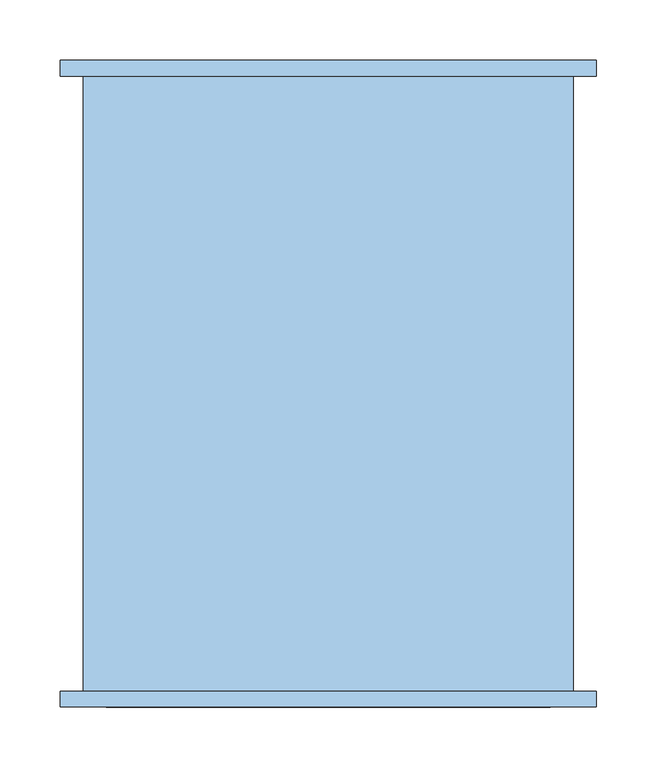
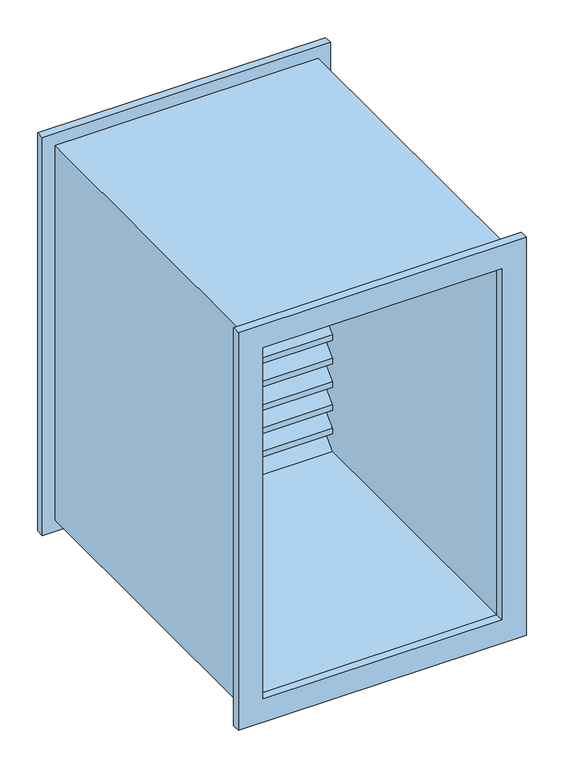
"""IFC4 building model written with IfcOpenShell, lengths in millimetres: window geometry."""

from ifc_helpers import new_model, si_unit, frame, origin, place, context, project, spatial, polyline, outline, extrude, source, transform, mapped, element, save


def window_7e000ad9(model_context):
    return source(origin(), model_context, "Body", "SweptSolid", [
        extrude(outline(polyline([(1543.55, -221.95), (896.05, -221.95), (896.05, 221.95), (1543.55, 221.95), (1543.55, -221.95)]), holes=[polyline([(1505.55, -183.95), (1505.55, 183.95), (934.05, 183.95), (934.05, -183.95), (1505.55, -183.95)])]), frame((0.0, 248.65, 0.0), z_axis=(0.0, 1.0, 0.0), x_axis=(0.0, 0.0, 1.0)), (0.0, 0.0, 1.0), 13.0),
        extrude(outline(polyline([(1543.55, 221.95), (1543.55, -221.95), (896.05, -221.95), (896.05, 221.95), (1543.55, 221.95)]), holes=[polyline([(1505.55, 183.95), (934.05, 183.95), (934.05, -183.95), (1505.55, -183.95), (1505.55, 183.95)])]), frame((0.0, -274.35, 0.0), z_axis=(0.0, 1.0, 0.0), x_axis=(0.0, 0.0, 1.0)), (0.0, 0.0, 1.0), 13.0),
        extrude(outline(polyline([(1524.6, 203.0), (1524.6, -203.0), (915.0, -203.0), (915.0, 203.0), (1524.6, 203.0)]), holes=[polyline([(1505.55, 183.95), (934.05, 183.95), (934.05, -183.95), (1505.55, -183.95), (1505.55, 183.95)])]), frame((0.0, -261.35, 0.0), z_axis=(0.0, 1.0, 0.0), x_axis=(0.0, 0.0, 1.0)), (0.0, 0.0, 1.0), 510.0),
        extrude(outline(polyline([(212.7289755, 969.9710245), (248.65, 934.05), (239.6697439, 934.05), (212.7289755, 960.9907684), (185.7882072, 934.05), (176.807951, 934.05), (212.7289755, 969.9710245)])), frame((-183.95, 0.0, 0.0), z_axis=(1.0, 0.0, 0.0), x_axis=(0.0, 1.0, 0.0)), (0.0, 0.0, 1.0), 367.9),
        extrude(outline(polyline([(212.7289755, 1008.0710245), (248.65, 972.15), (248.65, 963.1697439), (212.7289755, 999.0907684), (176.807951, 963.1697439), (176.807951, 972.15), (212.7289755, 1008.0710245)])), frame((-183.95, 0.0, 0.0), z_axis=(1.0, 0.0, 0.0), x_axis=(0.0, 1.0, 0.0)), (0.0, 0.0, 1.0), 367.9),
        extrude(outline(polyline([(212.7289755, 1046.1710245), (248.65, 1010.25), (248.65, 1001.2697439), (212.7289755, 1037.1907684), (176.807951, 1001.2697439), (176.807951, 1010.25), (212.7289755, 1046.1710245)])), frame((-183.95, 0.0, 0.0), z_axis=(1.0, 0.0, 0.0), x_axis=(0.0, 1.0, 0.0)), (0.0, 0.0, 1.0), 367.9),
        extrude(outline(polyline([(212.7289755, 1084.2710245), (248.65, 1048.35), (248.65, 1039.3697439), (212.7289755, 1075.2907684), (176.807951, 1039.3697439), (176.807951, 1048.35), (212.7289755, 1084.2710245)])), frame((-183.95, 0.0, 0.0), z_axis=(1.0, 0.0, 0.0), x_axis=(0.0, 1.0, 0.0)), (0.0, 0.0, 1.0), 367.9),
        extrude(outline(polyline([(212.7289755, 1122.3710245), (248.65, 1086.45), (248.65, 1077.4697439), (212.7289755, 1113.3907684), (176.807951, 1077.4697439), (176.807951, 1086.45), (212.7289755, 1122.3710245)])), frame((-183.95, 0.0, 0.0), z_axis=(1.0, 0.0, 0.0), x_axis=(0.0, 1.0, 0.0)), (0.0, 0.0, 1.0), 367.9),
        extrude(outline(polyline([(212.7289755, 1160.4710245), (248.65, 1124.55), (248.65, 1115.5697439), (212.7289755, 1151.4907684), (176.807951, 1115.5697439), (176.807951, 1124.55), (212.7289755, 1160.4710245)])), frame((-183.95, 0.0, 0.0), z_axis=(1.0, 0.0, 0.0), x_axis=(0.0, 1.0, 0.0)), (0.0, 0.0, 1.0), 367.9),
        extrude(outline(polyline([(212.7289755, 1198.5710245), (248.65, 1162.65), (248.65, 1153.6697439), (212.7289755, 1189.5907684), (176.807951, 1153.6697439), (176.807951, 1162.65), (212.7289755, 1198.5710245)])), frame((-183.95, 0.0, 0.0), z_axis=(1.0, 0.0, 0.0), x_axis=(0.0, 1.0, 0.0)), (0.0, 0.0, 1.0), 367.9),
        extrude(outline(polyline([(212.7289755, 1236.6710245), (248.65, 1200.75), (248.65, 1191.7697439), (212.7289755, 1227.6907684), (176.807951, 1191.7697439), (176.807951, 1200.75), (212.7289755, 1236.6710245)])), frame((-183.95, 0.0, 0.0), z_axis=(1.0, 0.0, 0.0), x_axis=(0.0, 1.0, 0.0)), (0.0, 0.0, 1.0), 367.9),
        extrude(outline(polyline([(212.7289755, 1274.7710245), (248.65, 1238.85), (248.65, 1229.8697439), (212.7289755, 1265.7907684), (176.807951, 1229.8697439), (176.807951, 1238.85), (212.7289755, 1274.7710245)])), frame((-183.95, 0.0, 0.0), z_axis=(1.0, 0.0, 0.0), x_axis=(0.0, 1.0, 0.0)), (0.0, 0.0, 1.0), 367.9),
        extrude(outline(polyline([(212.7289755, 1312.8710245), (248.65, 1276.95), (248.65, 1267.9697439), (212.7289755, 1303.8907684), (176.807951, 1267.9697439), (176.807951, 1276.95), (212.7289755, 1312.8710245)])), frame((-183.95, 0.0, 0.0), z_axis=(1.0, 0.0, 0.0), x_axis=(0.0, 1.0, 0.0)), (0.0, 0.0, 1.0), 367.9),
        extrude(outline(polyline([(212.7289755, 1350.9710245), (248.65, 1315.05), (248.65, 1306.0697439), (212.7289755, 1341.9907684), (176.807951, 1306.0697439), (176.807951, 1315.05), (212.7289755, 1350.9710245)])), frame((-183.95, 0.0, 0.0), z_axis=(1.0, 0.0, 0.0), x_axis=(0.0, 1.0, 0.0)), (0.0, 0.0, 1.0), 367.9),
        extrude(outline(polyline([(212.7289755, 1389.0710245), (248.65, 1353.15), (248.65, 1344.1697439), (212.7289755, 1380.0907684), (176.807951, 1344.1697439), (176.807951, 1353.15), (212.7289755, 1389.0710245)])), frame((-183.95, 0.0, 0.0), z_axis=(1.0, 0.0, 0.0), x_axis=(0.0, 1.0, 0.0)), (0.0, 0.0, 1.0), 367.9),
        extrude(outline(polyline([(212.7289755, 1427.1710245), (248.65, 1391.25), (248.65, 1382.2697439), (212.7289755, 1418.1907684), (176.807951, 1382.2697439), (176.807951, 1391.25), (212.7289755, 1427.1710245)])), frame((-183.95, 0.0, 0.0), z_axis=(1.0, 0.0, 0.0), x_axis=(0.0, 1.0, 0.0)), (0.0, 0.0, 1.0), 367.9),
        extrude(outline(polyline([(212.7289755, 1465.1710245), (248.65, 1429.35), (248.65, 1420.3697439), (212.7289755, 1456.2907684), (176.807951, 1420.3697439), (176.807951, 1429.35), (212.7289755, 1465.1710245)])), frame((-183.95, 0.0, 0.0), z_axis=(1.0, 0.0, 0.0), x_axis=(0.0, 1.0, 0.0)), (0.0, 0.0, 1.0), 367.9),
        extrude(outline(polyline([(212.7289755, 1503.2710245), (248.65, 1467.35), (248.65, 1458.3697439), (212.7289755, 1494.2907684), (176.807951, 1458.3697439), (176.807951, 1467.35), (212.7289755, 1503.2710245)])), frame((-183.95, 0.0, 0.0), z_axis=(1.0, 0.0, 0.0), x_axis=(0.0, 1.0, 0.0)), (0.0, 0.0, 1.0), 367.9),
    ])


if __name__ == "__main__":
    model = new_model("IFC4")
    model_context = context("Model", 3, world=origin())
    ifc_project = project(units=[si_unit("LENGTHUNIT", "METRE", prefix="MILLI")], contexts=[model_context])
    site = spatial("IfcSite", under=ifc_project)
    building = spatial("IfcBuilding", under=site)
    placement = place(None, origin())
    window_shape = window_7e000ad9(model_context)
    element("IfcWindow", 1, at=placement, inside=building, context=model_context, shape_type="MappedRepresentation", body=[
        mapped(window_shape, transform((0.0, 0.0, 0.0), x_axis=(1.0, 0.0, 0.0), y_axis=(0.0, 1.0, 0.0), z_axis=(0.0, 0.0, 1.0))),
    ])
    save(model, "model.ifc")
